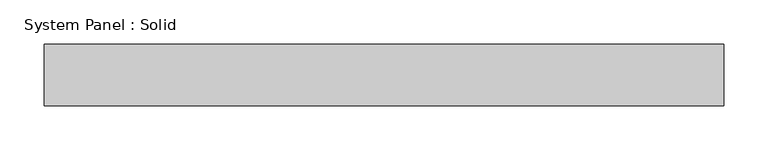
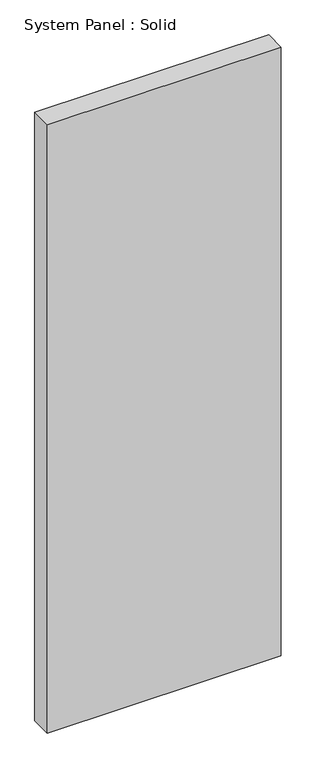
"""IFC4 building model written with IfcOpenShell, lengths in millimetres: plate geometry, System Panel : Solid."""

from ifc_helpers import new_model, si_unit, origin, origin_with_axes, place, context, project, spatial, polyline, outline, extrude, source, transform, mapped, element, save


def system_panel_solid_06c66150(model_context):
    return source(origin(), model_context, "Body", "SweptSolid", [
        extrude(outline(polyline([(384.175, -9.525), (-384.175, -9.525), (-384.175, 60.325), (384.175, 60.325), (384.175, -9.525)])), origin_with_axes(), (0.0, 0.0, 1.0), 2111.375),
    ])


if __name__ == "__main__":
    model = new_model("IFC4")
    model_context = context("Model", 3, world=origin())
    ifc_project = project(units=[si_unit("LENGTHUNIT", "METRE", prefix="MILLI")], contexts=[model_context])
    site = spatial("IfcSite", under=ifc_project)
    building = spatial("IfcBuilding", under=site)
    placement = place(None, origin())
    system_panel_solid_shape = system_panel_solid_06c66150(model_context)
    element("IfcPlate", 1, ObjectType="System Panel : Solid", at=placement, inside=building, context=model_context, shape_type="MappedRepresentation", body=[
        mapped(system_panel_solid_shape, transform((0.0, 0.0, 0.0), x_axis=(1.0, 0.0, 0.0), y_axis=(0.0, 1.0, 0.0), z_axis=(0.0, 0.0, 1.0))),
    ])
    save(model, "model.ifc")
